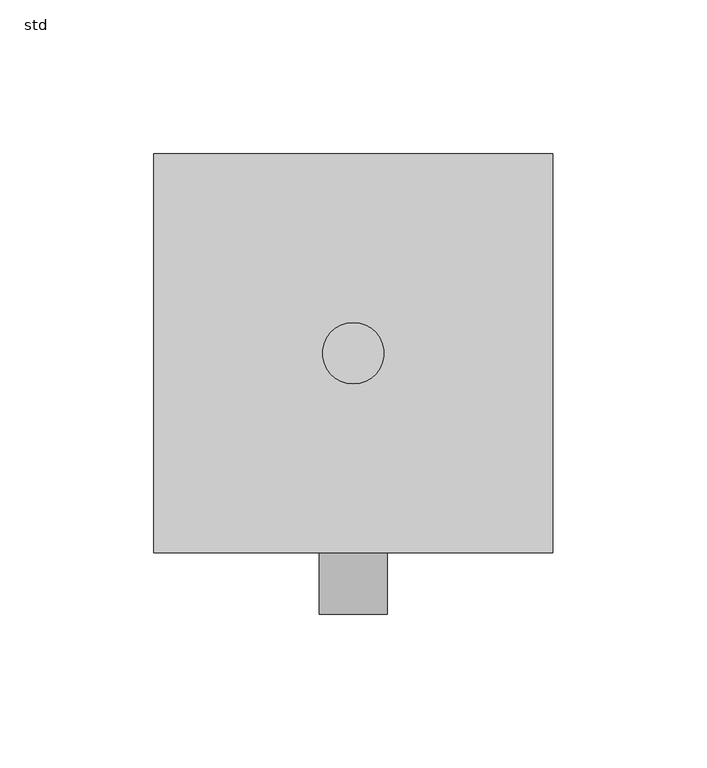
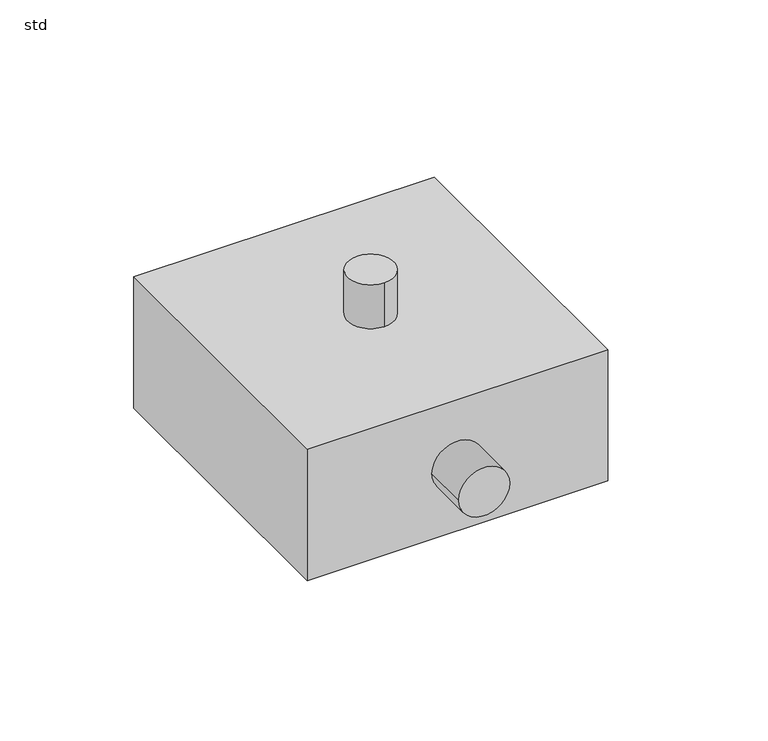
"""IFC4 building model written with IfcOpenShell, lengths in millimetres: proxy geometry, std."""

from ifc_helpers import new_model, si_unit, point, frame, frame_2d, origin, origin_with_axes, origin_2d, place, context, project, spatial, polyline, circle_curve, trimmed, segment, composite_curve, outline, extrude, source, transform, mapped, element, save


def std_7b1f1c58(model_context):
    return source(origin(), model_context, "Body", "SweptSolid", [
        extrude(outline(composite_curve([segment(trimmed(circle_curve(origin_2d(), 10.0), [point((0.0, 10.0))], [point((0.0, -10.0))], False, "CARTESIAN"), True, "CONTINUOUS"), segment(trimmed(circle_curve(origin_2d(), 10.0), [point((0.0, -10.0))], [point((0.0, 10.0))], False, "CARTESIAN"), True, "CONTINUOUS")], self_intersect=False)), frame((0.0, 0.0, 60.0), z_axis=(0.0, 0.0, 1.0), x_axis=(1.0, 0.0, 0.0)), (0.0, 0.0, 1.0), 20.0),
        extrude(outline(composite_curve([segment(trimmed(circle_curve(frame_2d((30.0, 0.0)), 11.0), [point((30.0, -11.0))], [point((30.0, 11.0))], False, "CARTESIAN"), True, "CONTINUOUS"), segment(trimmed(circle_curve(frame_2d((30.0, 0.0)), 11.0), [point((30.0, 11.0))], [point((30.0, -11.0))], False, "CARTESIAN"), True, "CONTINUOUS")], self_intersect=False)), frame((0.0, -85.0, 0.0), z_axis=(0.0, 1.0, 0.0), x_axis=(0.0, 0.0, 1.0)), (0.0, 0.0, 1.0), 20.0),
        extrude(outline(polyline([(65.0, 65.0), (65.0, -65.0), (-65.0, -65.0), (-65.0, 65.0), (65.0, 65.0)])), origin_with_axes(), (0.0, 0.0, 1.0), 60.0),
    ])


if __name__ == "__main__":
    model = new_model("IFC4")
    model_context = context("Model", 3, world=origin())
    ifc_project = project(units=[si_unit("LENGTHUNIT", "METRE", prefix="MILLI")], contexts=[model_context])
    site = spatial("IfcSite", under=ifc_project)
    building = spatial("IfcBuilding", under=site)
    placement = place(None, origin())
    std_shape = std_7b1f1c58(model_context)
    element("IfcBuildingElementProxy", 1, Name="std", ObjectType="std", at=placement, inside=building, context=model_context, shape_type="MappedRepresentation", body=[
        mapped(std_shape, transform((0.0, 0.0, 0.0), x_axis=(1.0, 0.0, 0.0), y_axis=(0.0, 1.0, 0.0), z_axis=(0.0, 0.0, 1.0))),
    ])
    save(model, "model.ifc")
